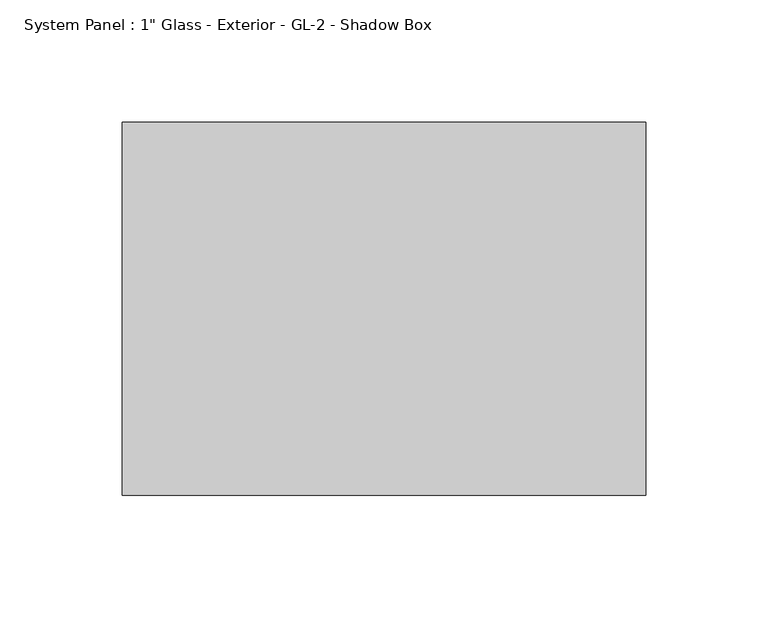
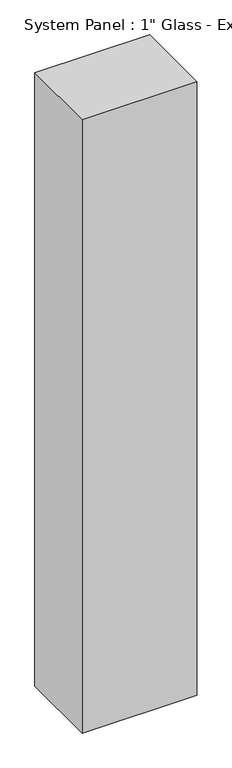
"""IFC4 building model written with IfcOpenShell, lengths in millimetres: plate geometry."""

from ifc_helpers import new_model, si_unit, origin, origin_with_axes, place, context, project, spatial, polyline, outline, extrude, source, transform, mapped, element, save


def plate_cabf2795(model_context):
    return source(origin(), model_context, "Body", "SweptSolid", [
        extrude(outline(polyline([(106.9906598, 0.0), (-106.9906598, 0.0), (-106.9906598, 152.4), (106.9906598, 152.4), (106.9906598, 0.0)])), origin_with_axes(), (0.0, 0.0, 1.0), 1209.675),
    ])


if __name__ == "__main__":
    model = new_model("IFC4")
    model_context = context("Model", 3, world=origin())
    ifc_project = project(units=[si_unit("LENGTHUNIT", "METRE", prefix="MILLI")], contexts=[model_context])
    site = spatial("IfcSite", under=ifc_project)
    building = spatial("IfcBuilding", under=site)
    placement = place(None, origin())
    plate_shape = plate_cabf2795(model_context)
    element("IfcPlate", 1, ObjectType="System Panel : 1\" Glass - Exterior - GL-2 - Shadow Box", at=placement, inside=building, context=model_context, shape_type="MappedRepresentation", body=[
        mapped(plate_shape, transform((0.0, 0.0, 0.0), x_axis=(1.0, 0.0, 0.0), y_axis=(0.0, 1.0, 0.0), z_axis=(0.0, 0.0, 1.0))),
    ])
    save(model, "model.ifc")
